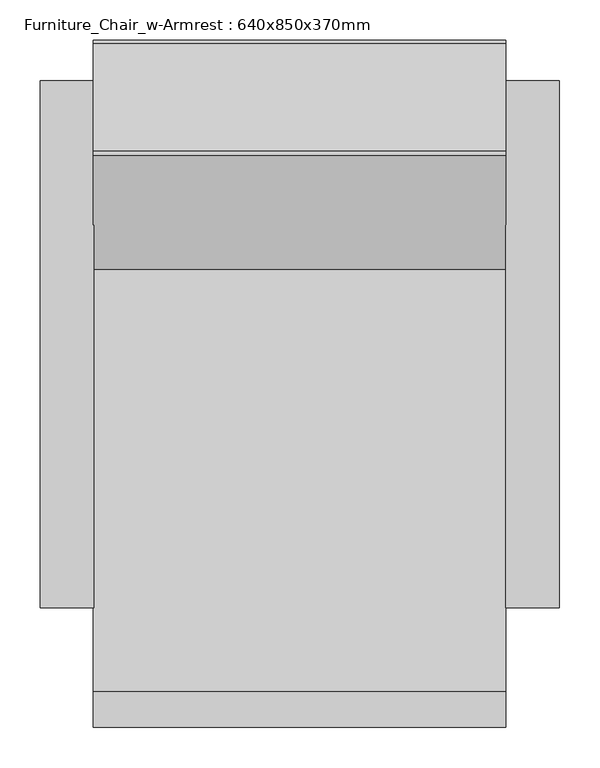
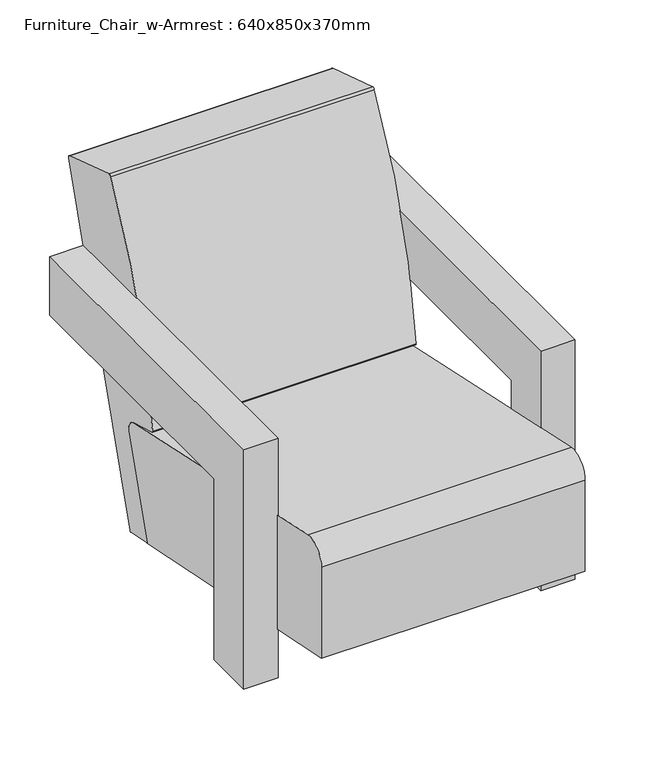
"""IFC4 building model written with IfcOpenShell, lengths in millimetres: furniture geometry, Furniture_Chair_w-Armrest : 640x850x370mm."""

from ifc_helpers import new_model, si_unit, point, frame, frame_2d, origin, place, context, project, spatial, polyline, circle_curve, trimmed, segment, composite_curve, outline, extrude, source, transform, mapped, element, save


def furniture_chair_w_armrest_640x850x370mm_a6fe8ff3(model_context):
    return source(origin(), model_context, "Body", "SweptSolid", [
        extrude(outline(polyline([(-701.8626273, 490.0), (-51.2088462, 490.0), (-51.2088462, 370.0), (-602.4571996, 370.0), (-602.4571996, 0.0), (-701.8626273, 0.0), (-701.8626273, 490.0)])), frame((-320.0, 0.0, 0.0), z_axis=(1.0, 0.0, 0.0), x_axis=(0.0, 1.0, 0.0)), (0.0, 0.0, 1.0), 66.0),
        extrude(outline(polyline([(-701.8626273, 490.0), (-51.2088462, 490.0), (-51.2088462, 370.0), (-602.4571996, 370.0), (-602.4571996, 0.0), (-701.8626273, 0.0), (-701.8626273, 490.0)])), frame((255.0, 0.0, 0.0), z_axis=(1.0, 0.0, 0.0), x_axis=(0.0, 1.0, 0.0)), (0.0, 0.0, 1.0), 66.0),
        extrude(outline(composite_curve([segment(trimmed(circle_curve(frame_2d((-210.8515098, 3.472842)), 3.0), [point((-207.997687, 2.5478038))], [point((-211.4483076, 0.5328025))], False, "CARTESIAN"), True, "CONTINUOUS"), segment(polyline([(-211.4483076, 0.5328025), (-264.8251965, 11.3677631), (-204.2493703, 198.2494261)]), True, "CONTINUOUS"), segment(trimmed(circle_curve(frame_2d((-228.9825009, 206.2664236)), 26.0), [point((-204.2493703, 198.2494261))], [point((-220.9655034, 230.9995542))], True, "CARTESIAN"), True, "CONTINUOUS"), segment(polyline([(-220.9655034, 230.9995542), (-281.497558, 248.0835035)]), True, "CONTINUOUS"), segment(trimmed(circle_curve(frame_2d((-280.6827, 250.9707178)), 3.0), [point((-281.497558, 248.0835035))], [point((-283.6682699, 251.2646102))], False, "CARTESIAN"), True, "CONTINUOUS"), segment(trimmed(circle_curve(frame_2d((788.3860869, 145.7341311)), 1077.2359194), [point((-283.6682699, 251.2646102))], [point((-143.2670278, 686.5295636))], False, "CARTESIAN"), True, "CONTINUOUS"), segment(trimmed(circle_curve(frame_2d((-138.9427517, 684.0194568)), 5.0), [point((-143.2670278, 686.5295636))], [point((-137.4010214, 688.7758281))], False, "CARTESIAN"), True, "CONTINUOUS"), segment(polyline([(-137.4010214, 688.7758281), (-4.7563713, 645.7803884)]), True, "CONTINUOUS"), segment(trimmed(circle_curve(frame_2d((-6.2981016, 641.0240171)), 5.0), [point((-4.7563713, 645.7803884))], [point((-1.5417303, 639.4822868))], False, "CARTESIAN"), True, "CONTINUOUS"), segment(polyline([(-1.5417303, 639.4822868), (-207.997687, 2.5478038)]), True, "CONTINUOUS")], self_intersect=False)), frame((-255.0, 0.0, 0.0), z_axis=(1.0, 0.0, 0.0), x_axis=(0.0, 1.0, 0.0)), (0.0, 0.0, 1.0), 510.0),
        extrude(outline(composite_curve([segment(trimmed(circle_curve(frame_2d((-810.0, 316.2125)), 40.0), [point((-850.0, 316.2125))], [point((-804.9919297, 355.897752))], False, "CARTESIAN"), True, "CONTINUOUS"), segment(trimmed(circle_curve(frame_2d((-1236.0987439, -3060.3047823)), 3443.2967983), [point((-804.9919297, 355.897752))], [point((-221.2738495, 230.04828))], False, "CARTESIAN"), True, "CONTINUOUS"), segment(trimmed(circle_curve(frame_2d((-228.9825009, 206.2664236)), 25.0), [point((-221.2738495, 230.04828))], [point((-205.2006446, 198.5577722))], False, "CARTESIAN"), True, "CONTINUOUS"), segment(polyline([(-205.2006446, 198.5577722), (-265.8138819, 11.5606926), (-850.0, 130.1522428), (-850.0, 316.2125)]), True, "CONTINUOUS")], self_intersect=False)), frame((-255.0, 0.0, 0.0), z_axis=(1.0, 0.0, 0.0), x_axis=(0.0, 1.0, 0.0)), (0.0, 0.0, 1.0), 510.0),
    ])


if __name__ == "__main__":
    model = new_model("IFC4")
    model_context = context("Model", 3, world=origin())
    ifc_project = project(units=[si_unit("LENGTHUNIT", "METRE", prefix="MILLI")], contexts=[model_context])
    site = spatial("IfcSite", under=ifc_project)
    building = spatial("IfcBuilding", under=site)
    placement = place(None, origin())
    furniture_chair_w_armrest_640x850x370mm_shape = furniture_chair_w_armrest_640x850x370mm_a6fe8ff3(model_context)
    element("IfcFurniture", 1, ObjectType="Furniture_Chair_w-Armrest : 640x850x370mm", at=placement, inside=building, context=model_context, shape_type="MappedRepresentation", body=[
        mapped(furniture_chair_w_armrest_640x850x370mm_shape, transform((0.0, 0.0, 0.0), x_axis=(1.0, 0.0, 0.0), y_axis=(0.0, 1.0, 0.0), z_axis=(0.0, 0.0, 1.0))),
    ])
    save(model, "model.ifc")
